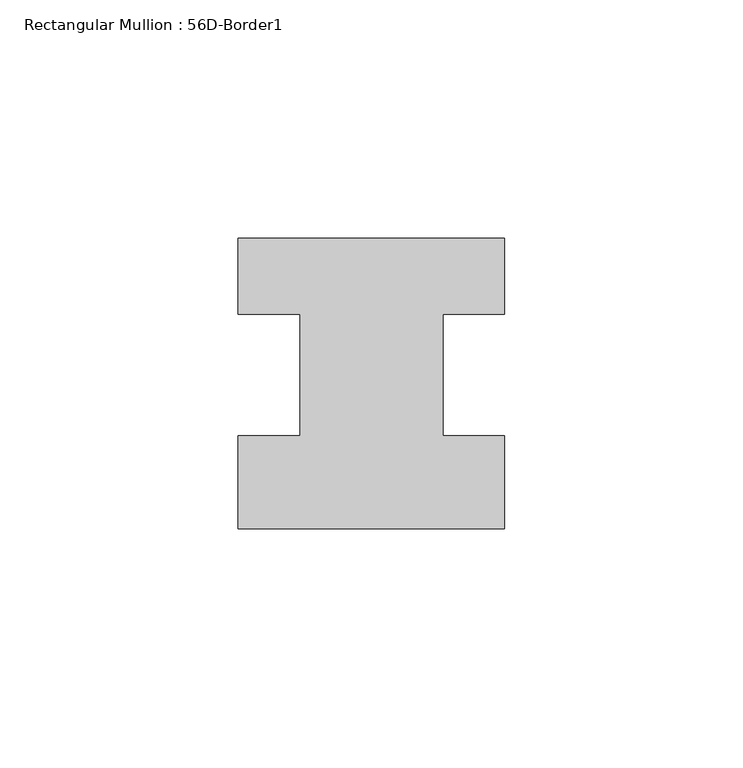
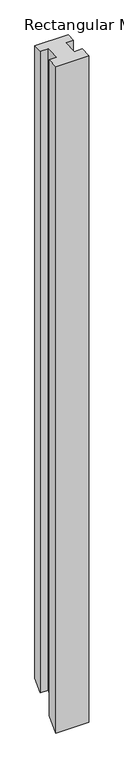
"""IFC4 building model written with IfcOpenShell, lengths in millimetres: member geometry, Rectangular Mullion : 56D-Border1."""

from ifc_helpers import new_model, si_unit, origin, place, context, project, spatial, faceted_brep, source, transform, mapped, element, save


def rectangular_mullion_56d_border1_c447309e(model_context):
    return source(origin(), model_context, "Body", "Brep", [
        faceted_brep([(-56.0, -20.0, 0.0), (0.0, -20.0, 0.0), (0.0, -0.5, 0.0), (-13.0, -0.5, 0.0), (-13.0, 25.0, 0.0), (0.0, 25.0, 0.0), (0.0, 41.0, 0.0), (-56.0, 41.0, 0.0), (-56.0, 25.0, 0.0), (-43.0, 25.0, 0.0), (-43.0, -0.5, 0.0), (-56.0, -0.5, 0.0), (-56.0, -20.0, -1192.0), (0.0, -20.0, -1192.0), (0.0, -0.5, -1172.5), (-13.0, -0.5, -1172.5), (-13.0, 25.0, -1147.0), (0.0, 25.0, -1147.0), (0.0, 41.0, -1131.0), (-56.0, 41.0, -1131.0), (-56.0, 25.0, -1147.0), (-43.0, 25.0, -1147.0), (-43.0, -0.5, -1172.5), (-56.0, -0.5, -1172.5)], [[[0, 1, 2, 3, 4, 5, 6, 7, 8, 9, 10, 11]], [[1, 0, 12, 13]], [[2, 1, 13, 14]], [[3, 2, 14, 15]], [[4, 3, 15, 16]], [[5, 4, 16, 17]], [[6, 5, 17, 18]], [[7, 6, 18, 19]], [[8, 7, 19, 20]], [[9, 8, 20, 21]], [[10, 9, 21, 22]], [[11, 10, 22, 23]], [[0, 11, 23, 12]], [[12, 23, 22, 21, 20, 19, 18, 17, 16, 15, 14, 13]]]),
    ])


if __name__ == "__main__":
    model = new_model("IFC4")
    model_context = context("Model", 3, world=origin())
    ifc_project = project(units=[si_unit("LENGTHUNIT", "METRE", prefix="MILLI")], contexts=[model_context])
    site = spatial("IfcSite", under=ifc_project)
    building = spatial("IfcBuilding", under=site)
    placement = place(None, origin())
    rectangular_mullion_56d_border1_shape = rectangular_mullion_56d_border1_c447309e(model_context)
    element("IfcMember", 1, ObjectType="Rectangular Mullion : 56D-Border1", at=placement, inside=building, context=model_context, shape_type="MappedRepresentation", body=[
        mapped(rectangular_mullion_56d_border1_shape, transform((0.0, 0.0, 0.0), x_axis=(1.0, 0.0, 0.0), y_axis=(0.0, 1.0, 0.0), z_axis=(0.0, 0.0, 1.0))),
    ])
    save(model, "model.ifc")
